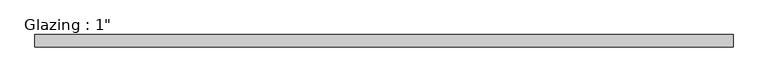
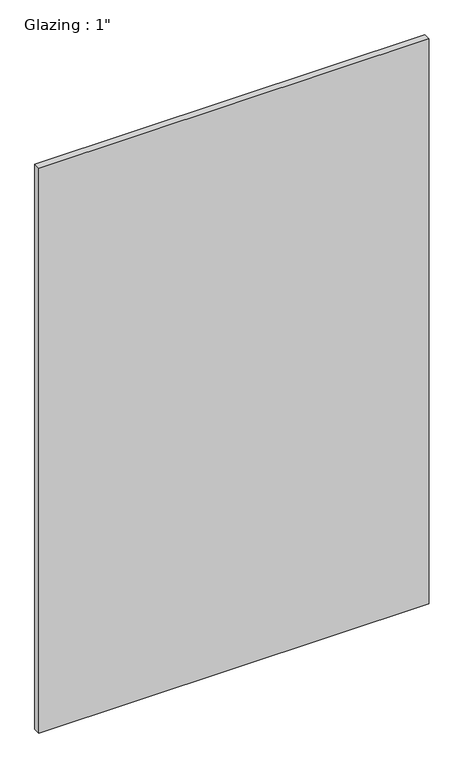
"""IFC4 building model written with IfcOpenShell, lengths in millimetres: plate geometry."""

from ifc_helpers import new_model, si_unit, origin, origin_with_axes, place, context, project, spatial, polyline, outline, extrude, source, transform, mapped, element, save


def plate_d5e8310b(model_context):
    return source(origin(), model_context, "Body", "SweptSolid", [
        extrude(outline(polyline([(710.632433, -12.7), (-710.632433, -12.7), (-710.632433, 12.7), (710.632433, 12.7), (710.632433, -12.7)])), origin_with_axes(), (0.0, 0.0, 1.0), 2174.7675354),
    ])


if __name__ == "__main__":
    model = new_model("IFC4")
    model_context = context("Model", 3, world=origin())
    ifc_project = project(units=[si_unit("LENGTHUNIT", "METRE", prefix="MILLI")], contexts=[model_context])
    site = spatial("IfcSite", under=ifc_project)
    building = spatial("IfcBuilding", under=site)
    placement = place(None, origin())
    plate_shape = plate_d5e8310b(model_context)
    element("IfcPlate", 1, ObjectType="Glazing : 1\"", at=placement, inside=building, context=model_context, shape_type="MappedRepresentation", body=[
        mapped(plate_shape, transform((0.0, 0.0, 0.0), x_axis=(1.0, 0.0, 0.0), y_axis=(0.0, 1.0, 0.0), z_axis=(0.0, 0.0, 1.0))),
    ])
    save(model, "model.ifc")
